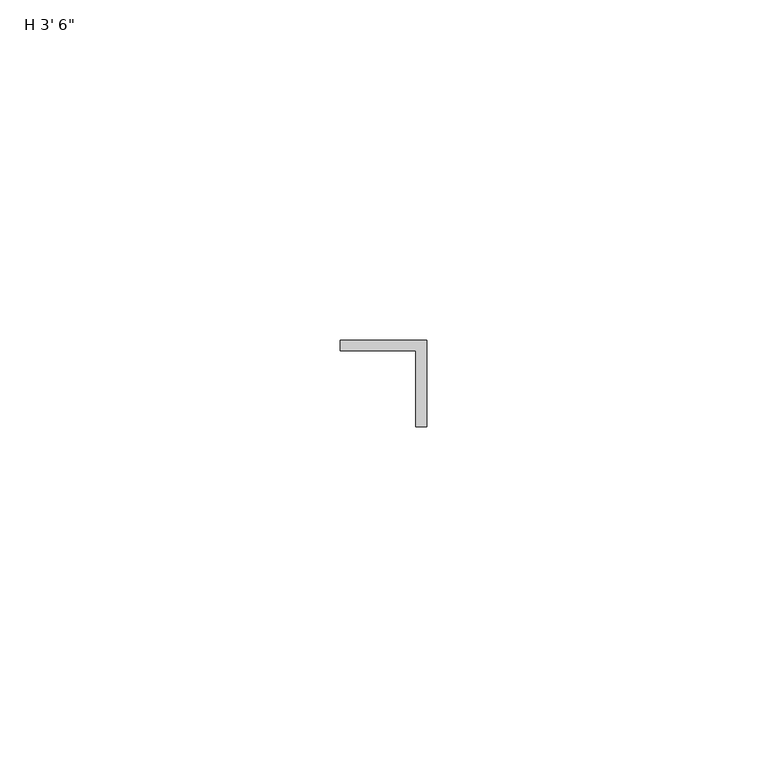
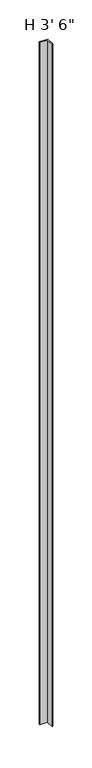
"""IFC4 building model written with IfcOpenShell, lengths in millimetres: proxy geometry."""

from ifc_helpers import new_model, si_unit, origin, origin_with_axes, place, context, project, spatial, polyline, outline, extrude, source, transform, mapped, element, save


def proxy_a293ca9e(model_context):
    return source(origin(), model_context, "Body", "SweptSolid", [
        extrude(outline(polyline([(12.7, 12.7), (12.7, 0.0), (11.1125, 0.0), (11.1125, 11.1125), (0.0, 11.1125), (0.0, 12.7), (12.7, 12.7)])), origin_with_axes(), (0.0, 0.0, 1.0), 1066.8),
    ])


if __name__ == "__main__":
    model = new_model("IFC4")
    model_context = context("Model", 3, world=origin())
    ifc_project = project(units=[si_unit("LENGTHUNIT", "METRE", prefix="MILLI")], contexts=[model_context])
    site = spatial("IfcSite", under=ifc_project)
    building = spatial("IfcBuilding", under=site)
    placement = place(None, origin())
    proxy_shape = proxy_a293ca9e(model_context)
    element("IfcBuildingElementProxy", 1, Name="H 3' 6\"", ObjectType="H 3' 6\"", at=placement, inside=building, context=model_context, shape_type="MappedRepresentation", body=[
        mapped(proxy_shape, transform((0.0, 0.0, 0.0), x_axis=(1.0, 0.0, 0.0), y_axis=(0.0, 1.0, 0.0), z_axis=(0.0, 0.0, 1.0))),
    ])
    save(model, "model.ifc")
